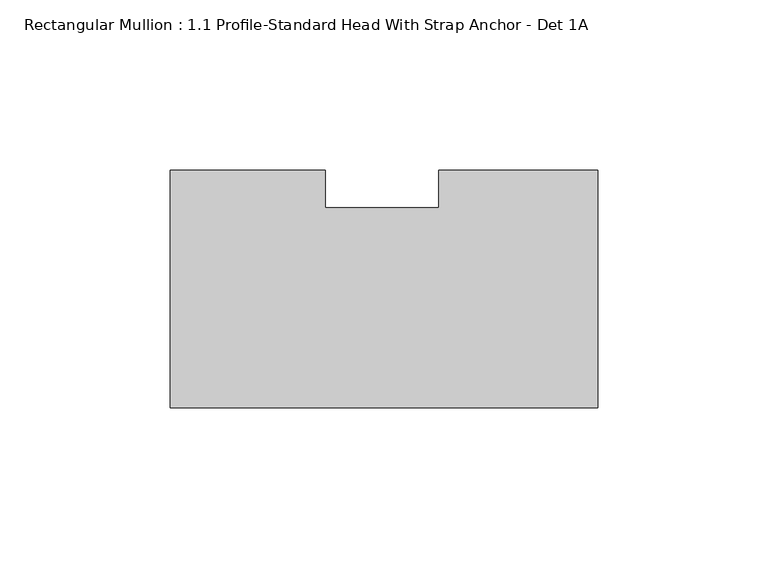
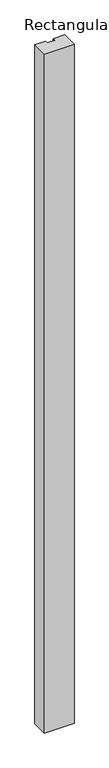
"""IFC4 building model written with IfcOpenShell, lengths in millimetres: member geometry, Rectangular Mullion : 1.1 Profile-Standard Head With Strap Anchor - Det 1A."""

from ifc_helpers import new_model, si_unit, frame, origin, place, context, project, spatial, polyline, outline, extrude, source, transform, mapped, element, save


def rectangular_mullion_1_1_profile_standard_head_with_strap_861653f6(model_context):
    return source(origin(), model_context, "Body", "SweptSolid", [
        extrude(outline(polyline([(-125.7808, 34.925), (-80.20749, 34.925), (-80.20749, 23.8125), (-46.8444686, 23.8125), (-46.8444686, 34.925), (0.0, 34.925), (0.0, -34.925), (-125.7808, -34.925), (-125.7808, 34.925)])), frame((0.0, 0.0, -3048.0), z_axis=(0.0, 0.0, 1.0), x_axis=(1.0, 0.0, 0.0)), (0.0, 0.0, 1.0), 3048.0),
    ])


if __name__ == "__main__":
    model = new_model("IFC4")
    model_context = context("Model", 3, world=origin())
    ifc_project = project(units=[si_unit("LENGTHUNIT", "METRE", prefix="MILLI")], contexts=[model_context])
    site = spatial("IfcSite", under=ifc_project)
    building = spatial("IfcBuilding", under=site)
    placement = place(None, origin())
    rectangular_mullion_1_1_profile_standard_head_with_strap_shape = rectangular_mullion_1_1_profile_standard_head_with_strap_861653f6(model_context)
    element("IfcMember", 1, ObjectType="Rectangular Mullion : 1.1 Profile-Standard Head With Strap Anchor - Det 1A", at=placement, inside=building, context=model_context, shape_type="MappedRepresentation", body=[
        mapped(rectangular_mullion_1_1_profile_standard_head_with_strap_shape, transform((0.0, 0.0, 0.0), x_axis=(1.0, 0.0, 0.0), y_axis=(0.0, 1.0, 0.0), z_axis=(0.0, 0.0, 1.0))),
    ])
    save(model, "model.ifc")
